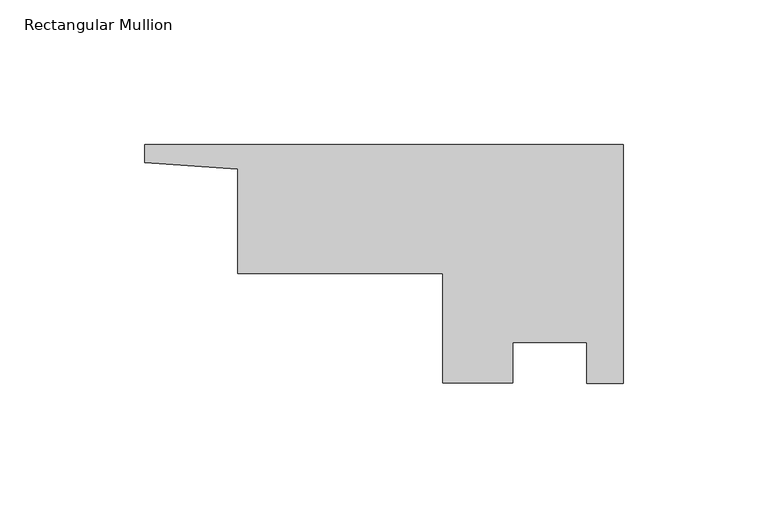
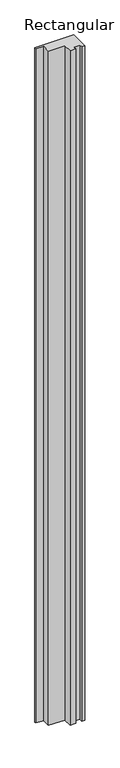
"""IFC4 building model written with IfcOpenShell, lengths in millimetres: member geometry, Rectangular Mullion."""

from ifc_helpers import new_model, si_unit, frame, origin, place, context, project, spatial, polyline, outline, extrude, source, transform, mapped, element, save


def rectangular_mullion_400ae16b(model_context):
    return source(origin(), model_context, "Body", "SweptSolid", [
        extrude(outline(polyline([(0.0, 44.2467865), (0.0, -38.3031865), (-12.6215108, -38.3031865), (-12.6215108, -24.0157099), (-38.0215108, -24.0157099), (-38.0215108, -38.0492099), (-62.2085624, -38.0492099), (-62.2085624, -0.2032099), (-133.0428752, -0.2032099), (-133.0428752, 35.7938891), (-165.1, 38.0144936), (-165.1, 44.2467865), (0.0, 44.2467865)])), frame((0.0, 0.0, -3048.0), z_axis=(0.0, 0.0, 1.0), x_axis=(1.0, 0.0, 0.0)), (0.0, 0.0, 1.0), 3048.0),
    ])


if __name__ == "__main__":
    model = new_model("IFC4")
    model_context = context("Model", 3, world=origin())
    ifc_project = project(units=[si_unit("LENGTHUNIT", "METRE", prefix="MILLI")], contexts=[model_context])
    site = spatial("IfcSite", under=ifc_project)
    building = spatial("IfcBuilding", under=site)
    placement = place(None, origin())
    rectangular_mullion_shape = rectangular_mullion_400ae16b(model_context)
    element("IfcMember", 1, ObjectType="Rectangular Mullion", at=placement, inside=building, context=model_context, shape_type="MappedRepresentation", body=[
        mapped(rectangular_mullion_shape, transform((0.0, 0.0, 0.0), x_axis=(1.0, 0.0, 0.0), y_axis=(0.0, 1.0, 0.0), z_axis=(0.0, 0.0, 1.0))),
    ])
    save(model, "model.ifc")
